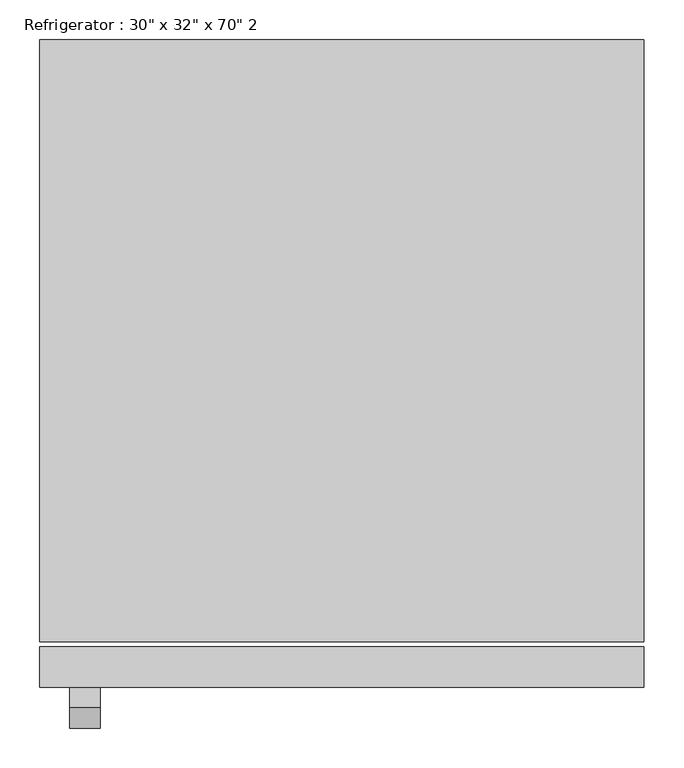
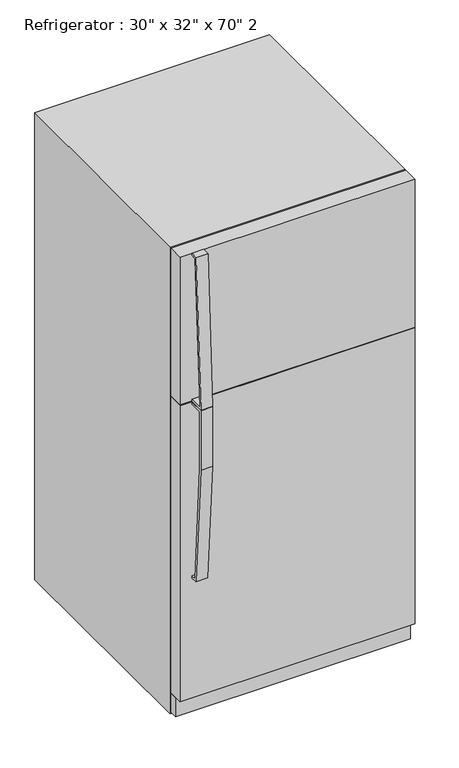
"""IFC4 building model written with IfcOpenShell, lengths in millimetres: proxy geometry."""

from ifc_helpers import new_model, si_unit, frame, origin, origin_with_axes, place, context, project, spatial, polyline, outline, extrude, source, transform, mapped, element, save


def proxy_48a74f76(model_context):
    return source(origin(), model_context, "Body", "SweptSolid", [
        extrude(outline(polyline([(-422.6635285, 1084.2625), (-467.1135285, 1084.2625), (-467.1135285, 887.6342469), (-439.6348987, 494.6715334), (-422.6635285, 494.6715334), (-422.6635285, 488.3370017), (-445.5574512, 488.3370017), (-473.4635285, 887.4125), (-473.4635285, 1090.6125), (-422.6635285, 1090.6125), (-422.6635285, 1084.2625)])), frame((-342.9, 0.0, 0.0), z_axis=(1.0, 0.0, 0.0), x_axis=(0.0, 1.0, 0.0)), (0.0, 0.0, 1.0), 38.4332978),
        extrude(outline(polyline([(-447.501913, 1600.2), (-423.4405855, 1600.2), (-423.4405855, 1593.85), (-442.2888449, 1593.85), (-468.1632207, 1100.1375), (-423.4405855, 1100.1375), (-423.4405855, 1093.7875), (-474.0418675, 1093.7875), (-447.501913, 1600.2)])), frame((-342.9, 0.0, 0.0), z_axis=(1.0, 0.0, 0.0), x_axis=(0.0, 1.0, 0.0)), (0.0, 0.0, 1.0), 38.4332978),
        extrude(outline(polyline([(381.0, -371.8635285), (381.0, -397.2635285), (-381.0, -397.2635285), (-381.0, -371.8635285), (381.0, -371.8635285)])), frame((0.0, 0.0, 9.3816357), z_axis=(0.0, 0.0, 1.0), x_axis=(1.0, 0.0, 0.0)), (0.0, 0.0, 1.0), 63.5),
        extrude(outline(polyline([(381.0, -371.8635285), (381.0, -422.6635285), (-381.0, -422.6635285), (-381.0, -371.8635285), (381.0, -371.8635285)])), frame((0.0, 0.0, 76.2), z_axis=(0.0, 0.0, 1.0), x_axis=(1.0, 0.0, 0.0)), (0.0, 0.0, 1.0), 1014.4125),
        extrude(outline(polyline([(381.0, -371.8635285), (381.0, -422.6635285), (-381.0, -422.6635285), (-381.0, -371.8635285), (381.0, -371.8635285)])), frame((0.0, 0.0, 1093.7875), z_axis=(0.0, 0.0, 1.0), x_axis=(1.0, 0.0, 0.0)), (0.0, 0.0, 1.0), 506.4125),
        extrude(outline(polyline([(381.0, 393.3114715), (381.0, -365.5135285), (-381.0, -365.5135285), (-381.0, 393.3114715), (381.0, 393.3114715)])), origin_with_axes(), (0.0, 0.0, 1.0), 1600.2),
    ])


if __name__ == "__main__":
    model = new_model("IFC4")
    model_context = context("Model", 3, world=origin())
    ifc_project = project(units=[si_unit("LENGTHUNIT", "METRE", prefix="MILLI")], contexts=[model_context])
    site = spatial("IfcSite", under=ifc_project)
    building = spatial("IfcBuilding", under=site)
    placement = place(None, origin())
    proxy_shape = proxy_48a74f76(model_context)
    element("IfcBuildingElementProxy", 1, Name="Refrigerator : 30\" x 32\" x 70\" 2", ObjectType="Refrigerator : 30\" x 32\" x 70\" 2", at=placement, inside=building, context=model_context, shape_type="MappedRepresentation", body=[
        mapped(proxy_shape, transform((0.0, 0.0, 0.0), x_axis=(1.0, 0.0, 0.0), y_axis=(0.0, 1.0, 0.0), z_axis=(0.0, 0.0, 1.0))),
    ])
    save(model, "model.ifc")
